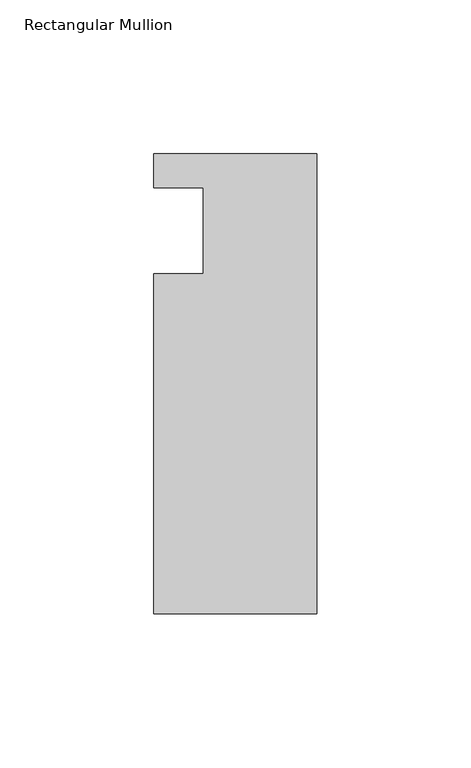
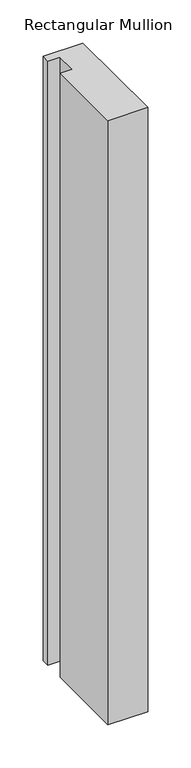
"""IFC4 building model written with IfcOpenShell, lengths in millimetres: member geometry, Rectangular Mullion."""

from ifc_helpers import new_model, si_unit, frame, origin, place, context, project, spatial, polyline, outline, extrude, source, transform, mapped, element, save


def rectangular_mullion_871e027a(model_context):
    return source(origin(), model_context, "Body", "SweptSolid", [
        extrude(outline(polyline([(-37.0, 13.9999453), (-53.0, 13.9999453), (-53.0, 24.9999453), (0.0, 24.9999453), (0.0, -124.5000547), (-53.0, -124.5000547), (-53.0, -14.0000547), (-37.0, -14.0000547), (-37.0, 13.9999453)])), frame((0.0, 0.0, -853.1462731), z_axis=(0.0, 0.0, 1.0), x_axis=(1.0, 0.0, 0.0)), (0.0, 0.0, 1.0), 853.1462731),
    ])


if __name__ == "__main__":
    model = new_model("IFC4")
    model_context = context("Model", 3, world=origin())
    ifc_project = project(units=[si_unit("LENGTHUNIT", "METRE", prefix="MILLI")], contexts=[model_context])
    site = spatial("IfcSite", under=ifc_project)
    building = spatial("IfcBuilding", under=site)
    placement = place(None, origin())
    rectangular_mullion_shape = rectangular_mullion_871e027a(model_context)
    element("IfcMember", 1, ObjectType="Rectangular Mullion", at=placement, inside=building, context=model_context, shape_type="MappedRepresentation", body=[
        mapped(rectangular_mullion_shape, transform((0.0, 0.0, 0.0), x_axis=(1.0, 0.0, 0.0), y_axis=(0.0, 1.0, 0.0), z_axis=(0.0, 0.0, 1.0))),
    ])
    save(model, "model.ifc")
